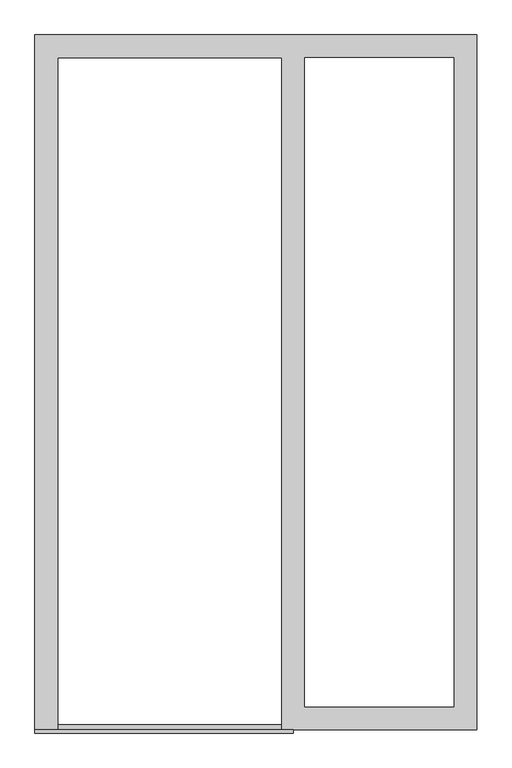
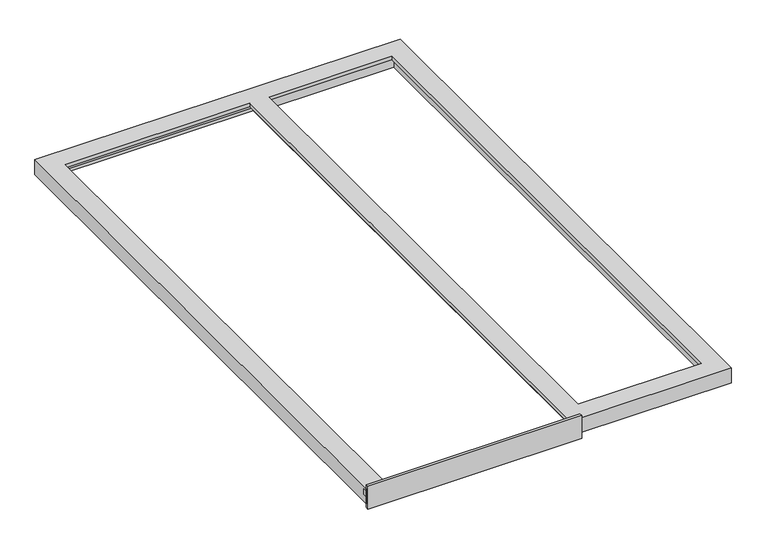
"""IFC4 building model written with IfcOpenShell, lengths in millimetres: proxy geometry."""

from ifc_helpers import new_model, si_unit, frame, origin, place, context, project, spatial, polyline, outline, extrude, faceted_brep, source, transform, mapped, element, save


def generic_models_6e3206dc(model_context):
    return source(origin(), model_context, "Body", "SolidModel", [
        extrude(outline(polyline([(-12.0, -86.0), (-12.0, 19.0), (0.0, 19.0), (0.0, -12.0), (18.0, -12.0), (18.0, -37.0), (0.0, -37.0), (0.0, -86.0), (-12.0, -86.0)])), frame((0.0, 0.0, 0.0), z_axis=(1.0, 0.0, 0.0), x_axis=(0.0, 1.0, 0.0)), (0.0, 0.0, 1.0), 930.0),
        faceted_brep([(0.0, 0.0, -68.0), (48.0, 0.0, -68.0), (48.0, 0.0, -37.0), (68.0, 0.0, -37.0), (68.0, 0.0, -16.0), (83.0, 0.0, -16.0), (83.0, 0.0, 0.0), (0.0, 0.0, 0.0), (0.0, 2500.0, -68.0), (0.0, 2500.0, 0.0), (1590.0, 2500.0, 0.0), (1590.0, 2500.0, -68.0), (1590.0, 0.0, -68.0), (923.5, 0.0, -68.0), (923.5, 2452.0, -68.0), (48.0, 2452.0, -68.0), (953.5, 2435.0, -68.0), (953.5, 65.0, -68.0), (1525.0, 65.0, -68.0), (1525.0, 2435.0, -68.0), (68.0, 2432.0, -37.0), (68.0, 2432.0, -16.0), (903.5, 2432.0, -16.0), (903.5, 0.0, -16.0), (888.5, 0.0, -16.0), (888.5, 2417.0, -16.0), (83.0, 2417.0, -16.0), (83.0, 2417.0, 0.0), (888.5, 2417.0, 0.0), (888.5, 0.0, 0.0), (1590.0, 0.0, 0.0), (1507.0, 2417.0, 0.0), (1507.0, 83.0, 0.0), (971.5, 83.0, 0.0), (971.5, 2417.0, 0.0), (903.5, 0.0, -37.0), (923.5, 0.0, -37.0), (953.5, 2435.0, -16.0), (953.5, 65.0, -16.0), (1525.0, 2435.0, -16.0), (1525.0, 65.0, -16.0), (1507.0, 2417.0, -16.0), (971.5, 2417.0, -16.0), (971.5, 83.0, -16.0), (1507.0, 83.0, -16.0), (923.5, 2452.0, -37.0), (48.0, 2452.0, -37.0), (903.5, 2432.0, -37.0)], [[[0, 1, 2, 3, 4, 5, 6, 7]], [[8, 9, 10, 11]], [[1, 0, 8, 11, 12, 13, 14, 15], [16, 17, 18, 19]], [[4, 3, 20, 21]], [[5, 4, 21, 22, 23, 24, 25, 26]], [[6, 5, 26, 27]], [[7, 6, 27, 28, 29, 30, 10, 9], [31, 32, 33, 34]], [[0, 7, 9, 8]], [[30, 29, 24, 23, 35, 36, 13, 12]], [[16, 37, 38, 17]], [[37, 39, 40, 38], [41, 42, 43, 44]], [[42, 34, 33, 43]], [[13, 36, 45, 14]], [[2, 1, 15, 46]], [[3, 2, 46, 45, 36, 35, 47, 20]], [[35, 23, 22, 47]], [[28, 27, 26, 25]], [[20, 47, 22, 21]], [[24, 29, 28, 25]], [[12, 11, 10, 30]], [[34, 42, 41, 31]], [[37, 16, 19, 39]], [[40, 39, 19, 18]], [[31, 41, 44, 32]], [[18, 17, 38, 40]], [[33, 32, 44, 43]], [[15, 14, 45, 46]]]),
    ])


if __name__ == "__main__":
    model = new_model("IFC4")
    model_context = context("Model", 3, world=origin())
    ifc_project = project(units=[si_unit("LENGTHUNIT", "METRE", prefix="MILLI")], contexts=[model_context])
    site = spatial("IfcSite", under=ifc_project)
    building = spatial("IfcBuilding", under=site)
    placement = place(None, origin())
    generic_models_shape = generic_models_6e3206dc(model_context)
    element("IfcBuildingElementProxy", 1, Name="Generic Models", at=placement, inside=building, context=model_context, shape_type="MappedRepresentation", body=[
        mapped(generic_models_shape, transform((0.0, 0.0, 0.0), x_axis=(1.0, 0.0, 0.0), y_axis=(0.0, 1.0, 0.0), z_axis=(0.0, 0.0, 1.0))),
    ])
    save(model, "model.ifc")
